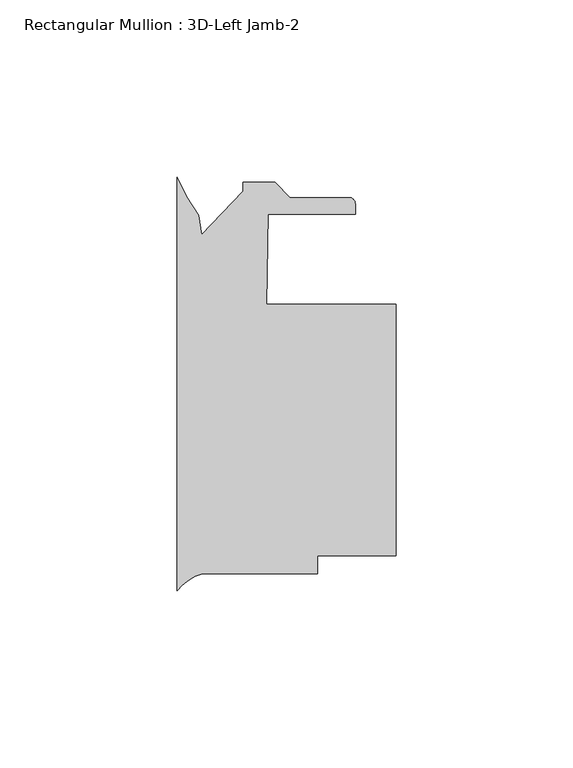
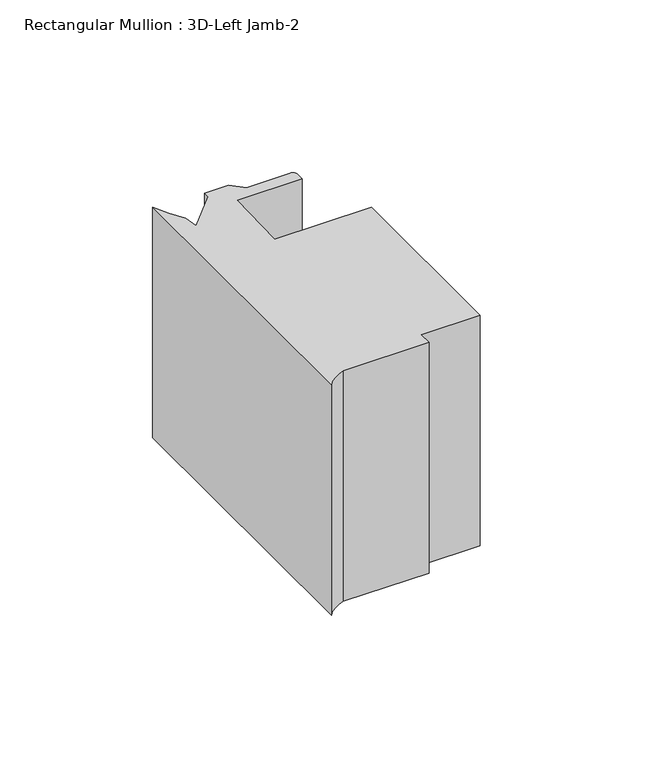
"""IFC4 building model written with IfcOpenShell, lengths in millimetres: member geometry, Rectangular Mullion : 3D-Left Jamb-2."""

from ifc_helpers import new_model, si_unit, point, frame, frame_2d, origin, place, context, project, spatial, polyline, circle_curve, trimmed, segment, composite_curve, outline, extrude, source, transform, mapped, element, save


def rectangular_mullion_3d_left_jamb_2_9322d7cd(model_context):
    return source(origin(), model_context, "Body", "SweptSolid", [
        extrude(outline(composite_curve([segment(trimmed(circle_curve(frame_2d((51.6557302, 72.0961057)), 56.1155216), [point((0.0, 50.172664))], [point((6.0929444, 39.3396665))], True, "CARTESIAN"), True, "CONTINUOUS"), segment(polyline([(6.0929444, 39.3396665), (7.0515961, 33.9028827), (18.6761495, 46.1086639), (18.6761495, 48.6486639), (27.7764417, 48.6486639), (32.0436417, 44.3814639), (48.6481495, 44.3814639)]), True, "CONTINUOUS"), segment(trimmed(circle_curve(frame_2d((48.6481495, 42.6034639)), 1.778), [point((48.6481495, 44.3814639))], [point((50.4261495, 42.6034639))], False, "CARTESIAN"), True, "CONTINUOUS"), segment(polyline([(50.4261495, 42.6034639), (50.4261495, 39.6824637), (25.7460305, 39.6824637), (25.3026718, 14.2824639), (61.9124999, 14.2824639), (61.9124999, -56.8375361), (39.6875, -56.8375361), (39.6875, -61.9175361), (7.2925126, -61.9175361)]), True, "CONTINUOUS"), segment(trimmed(circle_curve(frame_2d((10.8196816, -75.1483498)), 13.6928942), [point((7.2925126, -61.9175361))], [point((0.0, -66.7561009))], True, "CARTESIAN"), True, "CONTINUOUS"), segment(polyline([(0.0, -66.7561009), (0.0, 50.172664)]), True, "CONTINUOUS")], self_intersect=False)), frame((0.0, 0.0, -92.075), z_axis=(0.0, 0.0, 1.0), x_axis=(1.0, 0.0, 0.0)), (0.0, 0.0, 1.0), 92.075),
    ])


if __name__ == "__main__":
    model = new_model("IFC4")
    model_context = context("Model", 3, world=origin())
    ifc_project = project(units=[si_unit("LENGTHUNIT", "METRE", prefix="MILLI")], contexts=[model_context])
    site = spatial("IfcSite", under=ifc_project)
    building = spatial("IfcBuilding", under=site)
    placement = place(None, origin())
    rectangular_mullion_3d_left_jamb_2_shape = rectangular_mullion_3d_left_jamb_2_9322d7cd(model_context)
    element("IfcMember", 1, ObjectType="Rectangular Mullion : 3D-Left Jamb-2", at=placement, inside=building, context=model_context, shape_type="MappedRepresentation", body=[
        mapped(rectangular_mullion_3d_left_jamb_2_shape, transform((0.0, 0.0, 0.0), x_axis=(1.0, 0.0, 0.0), y_axis=(0.0, 1.0, 0.0), z_axis=(0.0, 0.0, 1.0))),
    ])
    save(model, "model.ifc")
